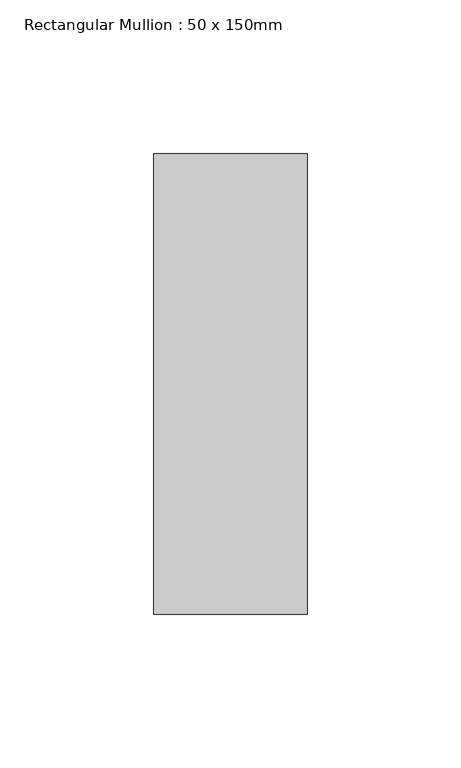
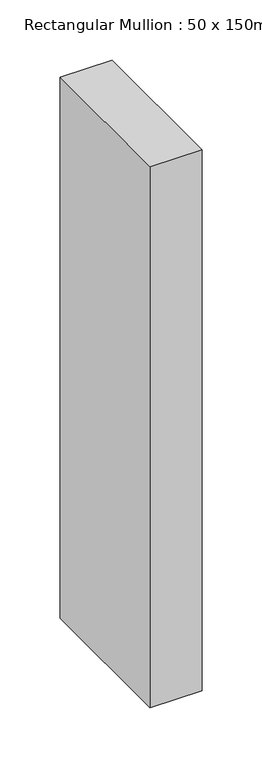
"""IFC4 building model written with IfcOpenShell, lengths in millimetres: member geometry, Rectangular Mullion : 50 x 150mm."""

import ifcopenshell
import ifcopenshell.guid

model = None  # the IFC model being written
_history = None  # IfcOwnerHistory: only IFC2X3 demands one
_inside = {}  # id of a spatial element -> (the spatial element, [elements in it])
_under = {}  # id of a project, library or spatial element -> (it, [spatial elements below it])
_declared = {}  # id of a project -> (the project, [libraries it declares])
_typed = {}  # id of a type object -> (the type object, [elements of that type])
_made_of = {}  # id of a material, layer set ... -> (it, [elements and type objects made of it])


def new_model(schema):
    """Start an empty IFC model of exactly this schema.

    Asked for "IFC4X3", IfcOpenShell would pick the latest addendum, in which some entities
    have other attributes; the version numbers below select the first issue.
    IFC2X3 requires an IfcOwnerHistory on every rooted entity: one is made here for all.
    """
    global model, _history
    if schema == "IFC4X3":
        model = ifcopenshell.file(schema_version=(4, 3, 0, 0))
    else:
        model = ifcopenshell.file(schema=schema)
    _inside.clear()
    _under.clear()
    _declared.clear()
    _typed.clear()
    _made_of.clear()
    _history = None
    if model.schema == "IFC2X3":
        org = make("IfcOrganization", Name="unknown")
        user = make(
            "IfcPersonAndOrganization",
            ThePerson=make("IfcPerson", FamilyName="unknown"),
            TheOrganization=org,
        )
        app = make(
            "IfcApplication",
            ApplicationDeveloper=org,
            Version="unknown",
            ApplicationFullName="unknown",
            ApplicationIdentifier="unknown",
        )
        _history = make(
            "IfcOwnerHistory",
            OwningUser=user,
            OwningApplication=app,
            ChangeAction="ADDED",
            CreationDate=0,
        )
    return model


def make(cls, **values):
    """One entity of the class cls with the attributes given. An attribute that is None is left unset."""
    return model.create_entity(
        cls, **{name: value for name, value in values.items() if value is not None}
    )


def rooted(cls, **values):
    """An entity with a GlobalId (a new one), such as an element, a storey or a relation."""
    return make(cls, GlobalId=ifcopenshell.guid.new(), OwnerHistory=_history, **values)


def si_unit(unit_type, name, prefix=None):
    """IfcSIUnit, for example si_unit("LENGTHUNIT", "METRE", prefix="MILLI")."""
    return make("IfcSIUnit", UnitType=unit_type, Prefix=prefix, Name=name)


def assignment(units):
    """IfcUnitAssignment: the units of a project."""
    return None if units is None else make("IfcUnitAssignment", Units=units)


def point(xyz):
    """IfcCartesianPoint."""
    return None if xyz is None else make("IfcCartesianPoint", Coordinates=xyz)


def direction(xyz):
    """IfcDirection."""
    return None if xyz is None else make("IfcDirection", DirectionRatios=xyz)


def frame(location, z_axis=None, x_axis=None):
    """IfcAxis2Placement3D, a coordinate frame: its origin and axes. An axis left out is left unset."""
    return make(
        "IfcAxis2Placement3D",
        Location=point(location),
        Axis=direction(z_axis),
        RefDirection=direction(x_axis),
    )


def origin():
    """The frame at (0, 0, 0) with its axes left unset."""
    return frame((0.0, 0.0, 0.0))


def place(relative_to, where):
    """IfcLocalPlacement: puts the frame where relative to a parent placement (None: the world)."""
    return make(
        "IfcLocalPlacement", PlacementRelTo=relative_to, RelativePlacement=where
    )


def context(
    kind, dimensions, precision=None, world=None, true_north=None, identifier=None
):
    """IfcGeometricRepresentationContext, for example the 3D "Model" context."""
    return make(
        "IfcGeometricRepresentationContext",
        ContextIdentifier=identifier,
        ContextType=kind,
        CoordinateSpaceDimension=dimensions,
        Precision=precision,
        WorldCoordinateSystem=world,
        TrueNorth=true_north,
    )


def project(units=None, contexts=None):
    """IfcProject with its units and contexts."""
    return rooted(
        "IfcProject",
        Name="project",
        RepresentationContexts=contexts,
        UnitsInContext=assignment(units),
    )


def spatial(cls, under=None, at=None, **own):
    """A site, building, storey or space (cls), placed at a placement, below another one or the project."""
    s = rooted(cls, ObjectPlacement=at, **own)
    if under is not None:
        _under.setdefault(under.id(), (under, []))[1].append(s)
    return s


def polyline(points):
    """IfcPolyline through the points."""
    return make("IfcPolyline", Points=[point(p) for p in points])


def outline(outer, holes=None, kind="AREA"):
    """IfcArbitraryClosedProfileDef: a profile drawn as a closed curve; with holes, ...WithVoids."""
    if holes is None:
        return make("IfcArbitraryClosedProfileDef", ProfileType=kind, OuterCurve=outer)
    return make(
        "IfcArbitraryProfileDefWithVoids",
        ProfileType=kind,
        OuterCurve=outer,
        InnerCurves=holes,
    )


def extrude(swept, where, along, depth):
    """IfcExtrudedAreaSolid: the profile swept, set in the frame where, extruded along a direction by depth."""
    return make(
        "IfcExtrudedAreaSolid",
        SweptArea=swept,
        Position=where,
        ExtrudedDirection=direction(along),
        Depth=depth,
    )


def shape(context_of_items, identifier, shape_type, items):
    """IfcShapeRepresentation: the items that make up one representation, for example the "Body"."""
    return make(
        "IfcShapeRepresentation",
        ContextOfItems=context_of_items,
        RepresentationIdentifier=identifier,
        RepresentationType=shape_type,
        Items=items,
    )


def source(mapping_origin, context_of_items, identifier, shape_type, items):
    """IfcRepresentationMap: a shape defined once, which mapped items show again and again."""
    return make(
        "IfcRepresentationMap",
        MappingOrigin=mapping_origin,
        MappedRepresentation=shape(context_of_items, identifier, shape_type, items),
    )


def transform(
    local_origin,
    x_axis=None,
    y_axis=None,
    z_axis=None,
    scale=None,
    scale2=None,
    scale3=None,
    uniform=True,
):
    """IfcCartesianTransformationOperator3D, or its non-uniform kind. x_axis, y_axis, z_axis: its Axis1, 2, 3."""
    if uniform:
        return make(
            "IfcCartesianTransformationOperator3D",
            Axis1=direction(x_axis),
            Axis2=direction(y_axis),
            LocalOrigin=point(local_origin),
            Scale=scale,
            Axis3=direction(z_axis),
        )
    return make(
        "IfcCartesianTransformationOperator3DnonUniform",
        Axis1=direction(x_axis),
        Axis2=direction(y_axis),
        LocalOrigin=point(local_origin),
        Scale=scale,
        Axis3=direction(z_axis),
        Scale2=scale2,
        Scale3=scale3,
    )


def mapped(mapping_source, mapping_target):
    """IfcMappedItem: shows the shape of a source again, moved by a transform."""
    return make(
        "IfcMappedItem", MappingSource=mapping_source, MappingTarget=mapping_target
    )


def made_of(thing, what):
    """Note that an element or type object is made of a material, layer set ...; save() writes the relation."""
    if what is not None:
        _made_of.setdefault(what.id(), (what, []))[1].append(thing)
    return thing


def element(
    cls,
    number,
    at=None,
    inside=None,
    cuts=None,
    type_object=None,
    material=None,
    context=None,
    identifier="Body",
    shape_type=None,
    held_by="IfcProductDefinitionShape",
    body=None,
    shapes=None,
    **own,
):
    """One element of the class cls, such as IfcWall. Its Tag is "e" and its number.

    at: its placement. inside: the storey or other place that contains it. cuts: it is an
    opening in that element (IfcRelVoidsElement). A single representation is given by context,
    identifier, shape_type and body (its items); several are given by shapes. held_by: the class
    of the entity that holds the representations. save() writes the other relations.
    """
    e = rooted(cls, Tag="e%d" % number, ObjectPlacement=at, **own)
    if body is not None:
        shapes = [shape(context, identifier, shape_type, body)]
    if shapes is not None:
        e.Representation = make(held_by, Representations=shapes)
    if inside is not None:
        _inside.setdefault(inside.id(), (inside, []))[1].append(e)
    if cuts is not None:
        rooted(
            "IfcRelVoidsElement", RelatingBuildingElement=cuts, RelatedOpeningElement=e
        )
    if type_object is not None:
        _typed.setdefault(type_object.id(), (type_object, []))[1].append(e)
    return made_of(e, material)


def aggregate(whole, parts):
    """IfcRelAggregates: a whole, such as a stair, and the parts it consists of."""
    return rooted("IfcRelAggregates", RelatingObject=whole, RelatedObjects=parts)


def save(model, path):
    """Write the relations noted so far, then the file.

    IfcRelAggregates (storeys below a building ...), IfcRelContainedInSpatialStructure (elements
    in a storey), IfcRelDefinesByType, IfcRelAssociatesMaterial and IfcRelDeclares: one each for
    every whole, place, type object, material and project.
    """
    for whole, parts in _under.values():
        aggregate(whole, parts)
    for where, things in _inside.values():
        rooted(
            "IfcRelContainedInSpatialStructure",
            RelatedElements=things,
            RelatingStructure=where,
        )
    for kind, things in _typed.values():
        rooted("IfcRelDefinesByType", RelatedObjects=things, RelatingType=kind)
    for what, things in _made_of.values():
        rooted("IfcRelAssociatesMaterial", RelatedObjects=things, RelatingMaterial=what)
    for by, libraries in _declared.values():
        rooted("IfcRelDeclares", RelatingContext=by, RelatedDefinitions=libraries)
    model.write(path)


def rectangular_mullion_50_x_150mm_b8dbbb25(model_context):
    return source(origin(), model_context, "Body", "SweptSolid", [
        extrude(outline(polyline([(25.0, 75.0), (25.0, -75.0), (-25.0, -75.0), (-25.0, 75.0), (25.0, 75.0)])), frame((0.0, 0.0, -550.0), z_axis=(0.0, 0.0, 1.0), x_axis=(1.0, 0.0, 0.0)), (0.0, 0.0, 1.0), 550.0),
    ])


if __name__ == "__main__":
    model = new_model("IFC4")
    model_context = context("Model", 3, world=origin())
    ifc_project = project(units=[si_unit("LENGTHUNIT", "METRE", prefix="MILLI")], contexts=[model_context])
    site = spatial("IfcSite", under=ifc_project)
    building = spatial("IfcBuilding", under=site)
    placement = place(None, origin())
    rectangular_mullion_50_x_150mm_shape = rectangular_mullion_50_x_150mm_b8dbbb25(model_context)
    element("IfcMember", 1, ObjectType="Rectangular Mullion : 50 x 150mm", at=placement, inside=building, context=model_context, shape_type="MappedRepresentation", body=[
        mapped(rectangular_mullion_50_x_150mm_shape, transform((0.0, 0.0, 0.0), x_axis=(1.0, 0.0, 0.0), y_axis=(0.0, 1.0, 0.0), z_axis=(0.0, 0.0, 1.0))),
    ])
    save(model, "model.ifc")
